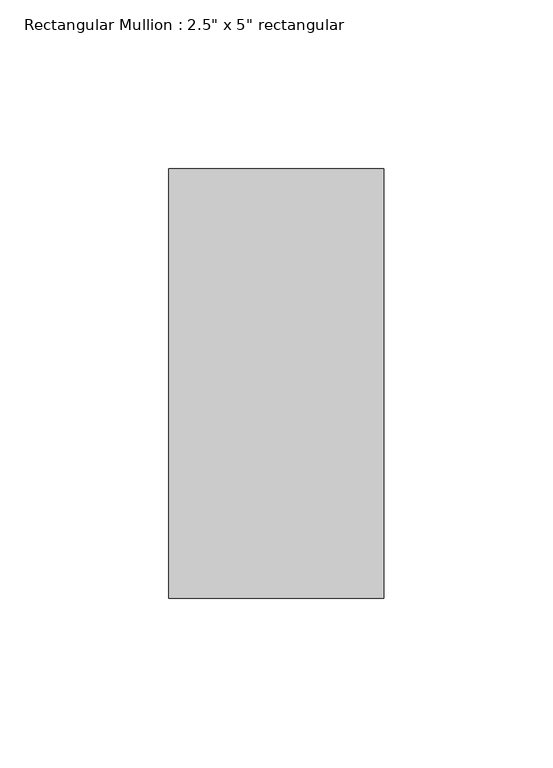
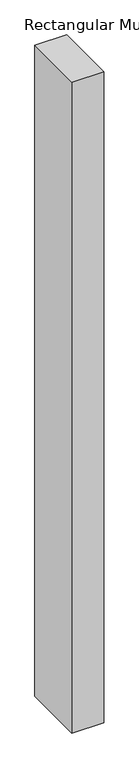
"""IFC4 building model written with IfcOpenShell, lengths in millimetres: member geometry."""

from ifc_helpers import new_model, si_unit, frame, origin, place, context, project, spatial, polyline, outline, extrude, source, transform, mapped, element, save


def member_79efa964(model_context):
    return source(origin(), model_context, "Body", "SweptSolid", [
        extrude(outline(polyline([(31.75, 63.5), (31.75, -63.5), (-31.75, -63.5), (-31.75, 63.5), (31.75, 63.5)])), frame((0.0, 0.0, -1370.1), z_axis=(0.0, 0.0, 1.0), x_axis=(1.0, 0.0, 0.0)), (0.0, 0.0, 1.0), 1370.1),
    ])


if __name__ == "__main__":
    model = new_model("IFC4")
    model_context = context("Model", 3, world=origin())
    ifc_project = project(units=[si_unit("LENGTHUNIT", "METRE", prefix="MILLI")], contexts=[model_context])
    site = spatial("IfcSite", under=ifc_project)
    building = spatial("IfcBuilding", under=site)
    placement = place(None, origin())
    member_shape = member_79efa964(model_context)
    element("IfcMember", 1, ObjectType="Rectangular Mullion : 2.5\" x 5\" rectangular", at=placement, inside=building, context=model_context, shape_type="MappedRepresentation", body=[
        mapped(member_shape, transform((0.0, 0.0, 0.0), x_axis=(1.0, 0.0, 0.0), y_axis=(0.0, 1.0, 0.0), z_axis=(0.0, 0.0, 1.0))),
    ])
    save(model, "model.ifc")
